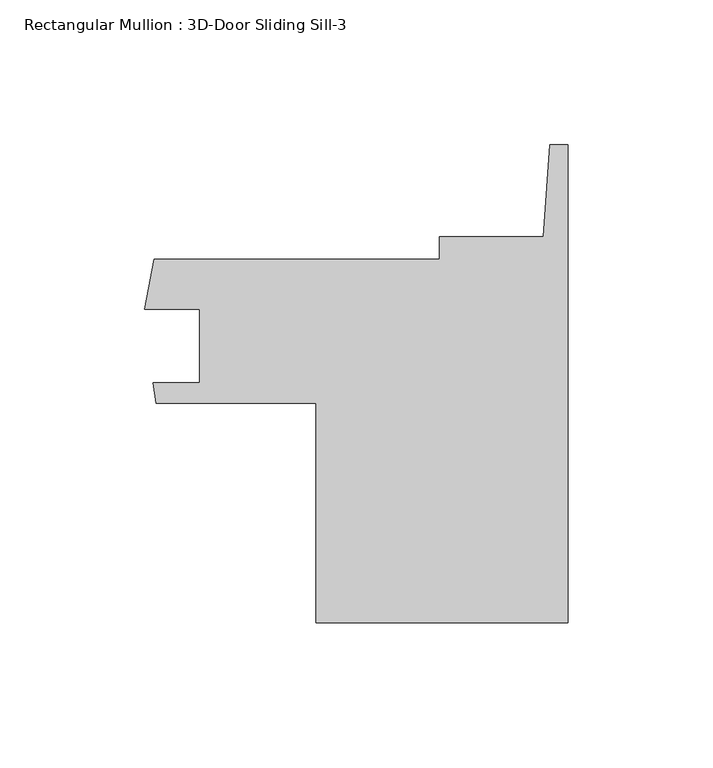
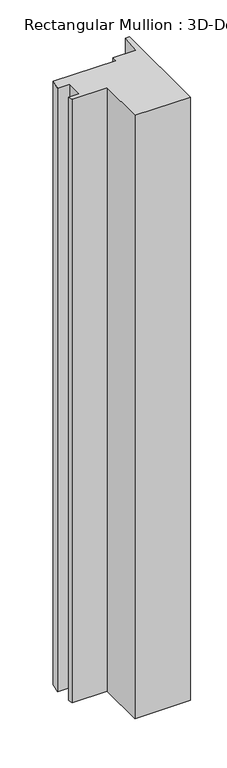
"""IFC4 building model written with IfcOpenShell, lengths in millimetres: member geometry, Rectangular Mullion : 3D-Door Sliding Sill-3."""

from ifc_helpers import new_model, si_unit, frame, origin, place, context, project, spatial, polyline, outline, extrude, source, transform, mapped, element, save


def rectangular_mullion_3d_door_sliding_sill_3_c76531ff(model_context):
    return source(origin(), model_context, "Body", "SweptSolid", [
        extrude(outline(polyline([(0.0, -79.404096), (-87.1084623, -79.404096), (-87.1084623, -3.520554), (-142.4354328, -3.520554), (-143.4399484, 3.4454316), (-127.2540159, 3.4454316), (-127.2540159, 28.8454316), (-146.3203799, 28.8454316), (-142.9789051, 46.066596), (-44.45, 46.066596), (-44.45, 54.004096), (-8.4275918, 54.004096), (-6.2322928, 85.695904), (0.0, 85.695904), (0.0, -79.404096)])), frame((0.0, 0.0, -1001.4257403), z_axis=(0.0, 0.0, 1.0), x_axis=(1.0, 0.0, 0.0)), (0.0, 0.0, 1.0), 1001.4257403),
    ])


if __name__ == "__main__":
    model = new_model("IFC4")
    model_context = context("Model", 3, world=origin())
    ifc_project = project(units=[si_unit("LENGTHUNIT", "METRE", prefix="MILLI")], contexts=[model_context])
    site = spatial("IfcSite", under=ifc_project)
    building = spatial("IfcBuilding", under=site)
    placement = place(None, origin())
    rectangular_mullion_3d_door_sliding_sill_3_shape = rectangular_mullion_3d_door_sliding_sill_3_c76531ff(model_context)
    element("IfcMember", 1, ObjectType="Rectangular Mullion : 3D-Door Sliding Sill-3", at=placement, inside=building, context=model_context, shape_type="MappedRepresentation", body=[
        mapped(rectangular_mullion_3d_door_sliding_sill_3_shape, transform((0.0, 0.0, 0.0), x_axis=(1.0, 0.0, 0.0), y_axis=(0.0, 1.0, 0.0), z_axis=(0.0, 0.0, 1.0))),
    ])
    save(model, "model.ifc")
